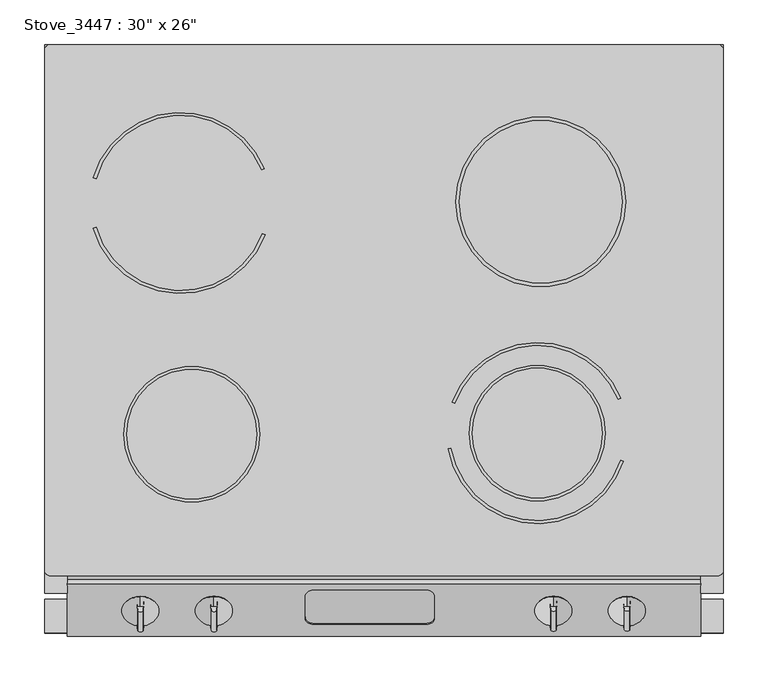
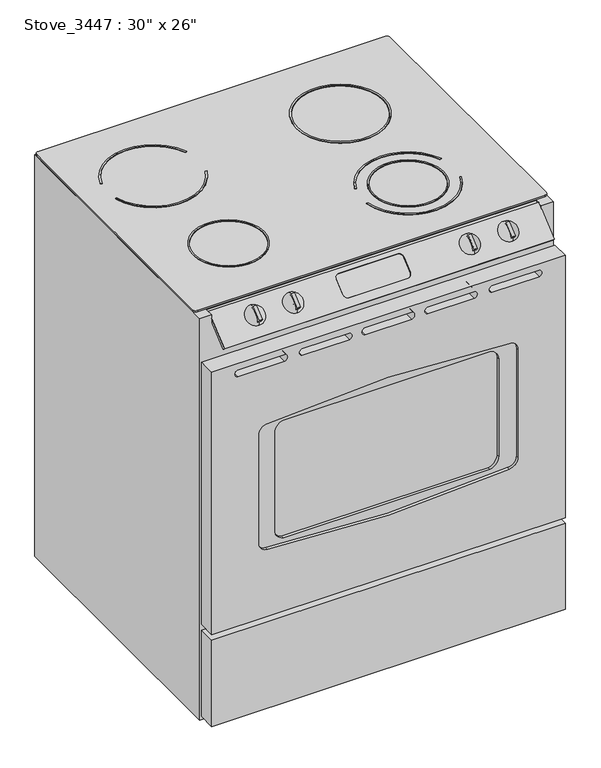
"""IFC4 building model written with IfcOpenShell, lengths in millimetres: proxy geometry."""

from ifc_helpers import new_model, si_unit, point, frame, frame_2d, origin, place, context, project, spatial, polyline, circle_curve, ellipse_curve, trimmed, segment, composite_curve, outline, extrude, source, transform, mapped, element, save
from ifc_brep_helpers import plane_surface, revolved_surface, advanced_brep


def proxy_ee5cc10b(model_context):
    return source(origin(), model_context, "Body", "SolidModel", [
        advanced_brep(
        [(762.0, 660.4, 914.4), (762.0, 660.4, 0.0), (0.0, 660.4, 0.0), (0.0, 660.4, 914.4), (711.2, 660.4, 762.0), (50.8, 660.4, 762.0), (50.8, 660.4, 304.8), (711.2, 660.4, 304.8), (0.0, 44.45, 914.4), (0.0, 44.45, 0.0), (762.0, 44.45, 0.0), (762.0, 44.45, 914.4), (736.6, 44.45, 914.4), (736.6, 44.45, 897.8213274), (437.6534017, 44.45, 897.8213274), (437.6534017, 44.45, 849.6388598), (428.6731456, 44.45, 835.3690916), (301.6731456, 44.45, 835.3690916), (292.6928894, 44.45, 849.6388598), (292.6928894, 44.45, 897.8213274), (25.4, 44.45, 897.8213274), (25.4, 44.45, 914.4), (711.2, 44.45, 762.0), (711.2, 44.45, 304.8), (50.8, 44.45, 304.8), (50.8, 44.45, 762.0), (25.4, 64.2076926, 914.4), (736.6, 64.2076926, 914.4), (292.6928894, 45.5439177, 898.7392334), (301.6731456, 52.4242409, 904.51251), (428.6731456, 52.4242409, 904.51251), (437.6534017, 45.5439177, 898.7392334), (428.6731456, 100.1829153, 845.5354588), (301.6731456, 100.1829153, 845.5354588), (292.6928894, 93.2039455, 839.8840005), (292.6928894, 68.5295612, 819.9030781), (301.6731456, 61.5505915, 814.2516198), (428.6731456, 61.5505915, 814.2516198), (437.6534017, 68.5295612, 819.9030781), (437.6534017, 93.2039455, 839.8840005)],
        [
            (0, 1),
            (1, 2),
            (2, 3),
            (3, 0),
            (4, 5),
            (5, 6),
            (6, 7),
            (7, 4),
            (8, 9),
            (9, 10),
            (10, 11),
            (11, 12),
            (12, 13),
            (13, 14),
            (14, 15),
            (15, 16, ellipse_curve(frame((428.6731456, 44.45, 849.6388598), z_axis=(0.0, 1.0, 0.0), x_axis=(0.0, 0.0, 1.0)), 14.2697682, 8.9802561)),
            (16, 17),
            (17, 18, ellipse_curve(frame((301.6731456, 44.45, 849.6388598), z_axis=(0.0, 1.0, 0.0), x_axis=(0.0, 0.0, 1.0)), 14.2697682, 8.9802561)),
            (18, 19),
            (19, 20),
            (20, 21),
            (21, 8),
            (22, 23),
            (23, 24),
            (24, 25),
            (25, 22),
            (0, 11),
            (10, 1),
            (9, 2),
            (8, 3),
            (21, 26),
            (26, 27),
            (27, 12),
            (4, 22),
            (25, 5),
            (24, 6),
            (23, 7),
            (27, 13),
            (20, 26),
            (19, 28),
            (28, 29, ellipse_curve(frame((301.6731456, 45.5439177, 898.7392334), z_axis=(0.0, 0.6427876096865406, -0.766044443118977), x_axis=(0.0, 0.7660444431189746, 0.6427876096865432)), 8.9816241, 8.9802561)),
            (29, 30),
            (30, 31, ellipse_curve(frame((428.6731456, 45.5439177, 898.7392334), z_axis=(0.0, 0.6427876096865406, -0.766044443118977), x_axis=(0.0, 0.7660444431189746, 0.6427876096865432)), 8.9816241, 8.9802561)),
            (31, 14),
            (32, 33),
            (33, 34, circle_curve(frame((301.6731456, 93.2039455, 839.8840005), z_axis=(0.0, -0.6293203910498419, 0.7771459614569672), x_axis=(1.0, 0.0, 0.0)), 8.9802561)),
            (34, 35),
            (35, 36, circle_curve(frame((301.6731456, 68.5295612, 819.9030781), z_axis=(0.0, -0.6293203910498419, 0.7771459614569672), x_axis=(1.0, 0.0, 0.0)), 8.9802561)),
            (36, 37),
            (37, 38, circle_curve(frame((428.6731456, 68.5295612, 819.9030781), z_axis=(0.0, -0.6293203910498419, 0.7771459614569672), x_axis=(1.0, 0.0, 0.0)), 8.9802561)),
            (38, 39),
            (39, 32, circle_curve(frame((428.6731456, 93.2039455, 839.8840005), z_axis=(0.0, -0.6293203910498419, 0.7771459614569672), x_axis=(1.0, 0.0, 0.0)), 8.9802561)),
            (32, 30),
            (29, 33),
            (28, 34),
            (18, 35),
            (17, 36),
            (16, 37),
            (15, 38),
            (31, 39),
        ],
        [
            plane_surface(frame((762.0, 660.4, 914.4), z_axis=(0.0, 1.0, 0.0), x_axis=(0.0, 0.0, -1.0))),
            plane_surface(frame((762.0, 44.45, 914.4), z_axis=(0.0, -1.0, 0.0), x_axis=(0.0, 0.0, 1.0))),
            plane_surface(frame((762.0, 660.4, 914.4), z_axis=(1.0, 0.0, 0.0), x_axis=(0.0, -1.0, 0.0))),
            plane_surface(frame((762.0, 660.4, 0.0), z_axis=(0.0, 0.0, -1.0), x_axis=(0.0, -1.0, 0.0))),
            plane_surface(frame((0.0, 660.4, 0.0), z_axis=(-1.0, 0.0, 0.0), x_axis=(0.0, -1.0, 0.0))),
            plane_surface(frame((0.0, 660.4, 914.4), z_axis=(0.0, 0.0, 1.0), x_axis=(0.0, -1.0, 0.0))),
            plane_surface(frame((711.2, 660.4, 762.0), z_axis=(0.0, 0.0, -1.0), x_axis=(0.0, -1.0, 0.0))),
            plane_surface(frame((50.8, 660.4, 762.0), z_axis=(1.0, 0.0, 0.0), x_axis=(0.0, -1.0, 0.0))),
            plane_surface(frame((50.8, 660.4, 304.8), z_axis=(0.0, 0.0, 1.0), x_axis=(0.0, -1.0, 0.0))),
            plane_surface(frame((711.2, 660.4, 304.8), z_axis=(-1.0, 0.0, 0.0), x_axis=(0.0, -1.0, 0.0))),
            plane_surface(frame((736.6, -11.1564341, 914.4), z_axis=(-1.0, 0.0, 0.0), x_axis=(0.0, 0.0, 1.0))),
            plane_surface(frame((25.4, -11.1564341, 914.4), z_axis=(1.0, 0.0, 0.0), x_axis=(0.0, 0.0, 1.0))),
            plane_surface(frame((736.6, -4.335527, 856.8854097), z_axis=(0.0, -0.6427876096865406, 0.766044443118977), x_axis=(-1.0, 0.0, 0.0))),
            plane_surface(frame((301.6731456, 100.1829153, 845.5354588), z_axis=(0.0, -0.6293203910498419, 0.7771459614569672), x_axis=(1.0, 0.0, 0.0))),
            plane_surface(frame((428.6731456, -4.4895612, 974.7952024), z_axis=(0.0, -0.7771459614569672, -0.629320391049842), x_axis=(0.0, 0.629320391049842, -0.7771459614569672))),
            revolved_surface(polyline([(310.6534017, 45.44527108444479, 898.8610517356517), (310.6534017, 93.2039455059619, 839.8840004926376)]), (301.6731456, 93.2039455, 839.8840005), (0.0, -0.6293203910498419, 0.7771459614569672)),
            plane_surface(frame((292.6928894, -11.468531, 969.1437441), z_axis=(1.0, 0.0, 0.0), x_axis=(0.0, 0.6293203910498419, -0.7771459614569673))),
            revolved_surface(polyline([(310.6534017, 37.47103021479231, 858.2571696997884), (310.6534017, 68.52956123364253, 819.903078058455)]), (301.6731456, 68.5295612, 819.9030781), (0.0, -0.6293203910498419, 0.7771459614569672)),
            plane_surface(frame((301.6731456, -43.121885, 943.5113634), z_axis=(0.0, 0.7771459614569673, 0.6293203910498419), x_axis=(0.0, 0.6293203910498419, -0.7771459614569673))),
            revolved_surface(polyline([(437.6534017, 37.47103021479231, 858.2571696997884), (437.6534017, 68.52956123364253, 819.903078058455)]), (428.6731456, 68.5295612, 819.9030781), (0.0, -0.6293203910498419, 0.7771459614569672)),
            plane_surface(frame((437.6534017, -36.1429153, 949.1628217), z_axis=(-1.0, 0.0, 0.0), x_axis=(0.0, 0.6293203910498419, -0.7771459614569673))),
            revolved_surface(polyline([(437.6534017, 45.44527108444479, 898.8610517356517), (437.6534017, 93.2039455059619, 839.8840004926376)]), (428.6731456, 93.2039455, 839.8840005), (0.0, -0.6293203910498419, 0.7771459614569672)),
        ],
        [
            (0, [[1, 2, 3, 4], [5, 6, 7, 8]]),
            (1, [[9, 10, 11, 12, 13, 14, 15, 16, 17, 18, 19, 20, 21, 22], [23, 24, 25, 26]]),
            (2, [[-1, 27, -11, 28]]),
            (3, [[-2, -28, -10, 29]]),
            (4, [[-3, -29, -9, 30]]),
            (5, [[-4, -30, -22, 31, 32, 33, -12, -27]]),
            (6, [[-5, 34, -26, 35]]),
            (7, [[-6, -35, -25, 36]]),
            (8, [[-7, -36, -24, 37]]),
            (9, [[-8, -37, -23, -34]]),
            (10, [[38, -13, -33]]),
            (11, [[39, -31, -21]]),
            (12, [[-38, -32, -39, -20, 40, 41, 42, 43, 44, -14]]),
            (13, [[45, 46, 47, 48, 49, 50, 51, 52]]),
            (14, [[-45, 53, -42, 54]]),
            (15, [[-46, -54, -41, 55]]),
            (16, [[-47, -55, -40, -19, 56]]),
            (17, [[-48, -56, -18, 57]]),
            (18, [[-49, -57, -17, 58]]),
            (19, [[-50, -58, -16, 59]]),
            (20, [[-51, -59, -15, -44, 60]]),
            (21, [[-52, -60, -43, -53]]),
        ],
    ),
        extrude(outline(composite_curve([segment(trimmed(circle_curve(frame_2d((-1769.2488555, 381.0)), 2430.8579968), [point((651.4207522, 603.3269004))], [point((651.4207522, 158.6730996))], False, "CARTESIAN"), True, "CONTINUOUS"), segment(trimmed(circle_curve(frame_2d((628.65, 162.850821)), 23.150821), [point((651.4207522, 158.6730996))], [point((628.65, 139.7))], False, "CARTESIAN"), True, "CONTINUOUS"), segment(polyline([(628.65, 139.7), (406.4, 139.7)]), True, "CONTINUOUS"), segment(trimmed(circle_curve(frame_2d((406.4, 162.850821)), 23.150821), [point((406.4, 139.7))], [point((383.6292478, 158.6730996))], False, "CARTESIAN"), True, "CONTINUOUS"), segment(trimmed(circle_curve(frame_2d((2804.2988555, 381.0)), 2430.8579968), [point((383.6292478, 158.6730996))], [point((383.6292478, 603.3269004))], False, "CARTESIAN"), True, "CONTINUOUS"), segment(trimmed(circle_curve(frame_2d((406.4, 599.149179)), 23.150821), [point((383.6292478, 603.3269004))], [point((406.4, 622.3))], False, "CARTESIAN"), True, "CONTINUOUS"), segment(polyline([(406.4, 622.3), (628.65, 622.3)]), True, "CONTINUOUS"), segment(trimmed(circle_curve(frame_2d((628.65, 599.149179)), 23.150821), [point((628.65, 622.3))], [point((651.4207522, 603.3269004))], False, "CARTESIAN"), True, "CONTINUOUS")], self_intersect=False)), frame((0.0, 12.7, 0.0), z_axis=(0.0, 1.0, 0.0), x_axis=(0.0, 0.0, 1.0)), (0.0, 0.0, 1.0), 6.35),
        extrude(outline(composite_curve([segment(trimmed(circle_curve(frame_2d((641.35, 120.65)), 19.05), [point((660.4, 120.65))], [point((641.35, 101.6))], False, "CARTESIAN"), True, "CONTINUOUS"), segment(polyline([(641.35, 101.6), (393.7, 101.6)]), True, "CONTINUOUS"), segment(trimmed(circle_curve(frame_2d((393.7, 120.65)), 19.05), [point((393.7, 101.6))], [point((374.65, 120.65))], False, "CARTESIAN"), True, "CONTINUOUS"), segment(trimmed(circle_curve(frame_2d((2804.2988555, 381.0)), 2443.5579968), [point((374.65, 120.65))], [point((374.65, 641.35))], False, "CARTESIAN"), True, "CONTINUOUS"), segment(trimmed(circle_curve(frame_2d((393.7, 641.35)), 19.05), [point((374.65, 641.35))], [point((393.7, 660.4))], False, "CARTESIAN"), True, "CONTINUOUS"), segment(polyline([(393.7, 660.4), (641.35, 660.4)]), True, "CONTINUOUS"), segment(trimmed(circle_curve(frame_2d((641.35, 641.35)), 19.05), [point((641.35, 660.4))], [point((660.4, 641.35))], False, "CARTESIAN"), True, "CONTINUOUS"), segment(trimmed(circle_curve(frame_2d((-1769.2488555, 381.0)), 2443.5579968), [point((660.4, 641.35))], [point((660.4, 120.65))], False, "CARTESIAN"), True, "CONTINUOUS")], self_intersect=False), holes=[composite_curve([segment(trimmed(circle_curve(frame_2d((-1769.2488555, 381.0)), 2430.8579968), [point((651.4207522, 158.6730996))], [point((651.4207522, 603.3269004))], True, "CARTESIAN"), True, "CONTINUOUS"), segment(trimmed(circle_curve(frame_2d((628.65, 599.149179)), 23.150821), [point((651.4207522, 603.3269004))], [point((628.65, 622.3))], True, "CARTESIAN"), True, "CONTINUOUS"), segment(polyline([(628.65, 622.3), (406.4, 622.3)]), True, "CONTINUOUS"), segment(trimmed(circle_curve(frame_2d((406.4, 599.149179)), 23.150821), [point((406.4, 622.3))], [point((383.6292478, 603.3269004))], True, "CARTESIAN"), True, "CONTINUOUS"), segment(trimmed(circle_curve(frame_2d((2804.2988555, 381.0)), 2430.8579968), [point((383.6292478, 603.3269004))], [point((383.6292478, 158.6730996))], True, "CARTESIAN"), True, "CONTINUOUS"), segment(trimmed(circle_curve(frame_2d((406.4, 162.850821)), 23.150821), [point((383.6292478, 158.6730996))], [point((406.4, 139.7))], True, "CARTESIAN"), True, "CONTINUOUS"), segment(polyline([(406.4, 139.7), (628.65, 139.7)]), True, "CONTINUOUS"), segment(trimmed(circle_curve(frame_2d((628.65, 162.850821)), 23.150821), [point((628.65, 139.7))], [point((651.4207522, 158.6730996))], True, "CARTESIAN"), True, "CONTINUOUS")], self_intersect=False)]), frame((0.0, 6.35, 0.0), z_axis=(0.0, 1.0, 0.0), x_axis=(0.0, 0.0, 1.0)), (0.0, 0.0, 1.0), 19.05),
        extrude(outline(composite_curve([segment(polyline([(54.796433, 454.3846901), (57.8465445, 455.2664186)]), True, "CONTINUOUS"), segment(trimmed(circle_curve(frame_2d((152.4, 482.6)), 98.425), [point((57.8465445, 455.2664186))], [point((244.4673467, 447.7993636))], True, "CARTESIAN"), True, "CONTINUOUS"), segment(polyline([(244.4673467, 447.7993636), (247.4372611, 446.6767624)]), True, "CONTINUOUS"), segment(trimmed(circle_curve(frame_2d((152.4, 482.6)), 101.6), [point((247.4372611, 446.6767624))], [point((54.796433, 454.3846901))], False, "CARTESIAN"), True, "CONTINUOUS")], self_intersect=False)), frame((0.0, 0.0, 914.4), z_axis=(0.0, 0.0, 1.0), x_axis=(1.0, 0.0, 0.0)), (0.0, 0.0, 1.0), 6.35),
        extrude(outline(composite_curve([segment(polyline([(246.5191915, 520.8640536), (243.5779667, 519.6683019)]), True, "CONTINUOUS"), segment(trimmed(circle_curve(frame_2d((152.4, 482.6)), 98.425), [point((243.5779667, 519.6683019))], [point((57.8797767, 510.0482789))], True, "CARTESIAN"), True, "CONTINUOUS"), segment(polyline([(57.8797767, 510.0482789), (54.8307372, 510.9337072)]), True, "CONTINUOUS"), segment(trimmed(circle_curve(frame_2d((152.4, 482.6)), 101.6), [point((54.8307372, 510.9337072))], [point((246.5191915, 520.8640536))], False, "CARTESIAN"), True, "CONTINUOUS")], self_intersect=False)), frame((0.0, 0.0, 914.4), z_axis=(0.0, 0.0, 1.0), x_axis=(1.0, 0.0, 0.0)), (0.0, 0.0, 1.0), 6.35),
        extrude(outline(composite_curve([segment(trimmed(circle_curve(frame_2d((556.8818139, 483.8842433)), 95.25), [point((461.6318139, 483.8842433))], [point((652.1318139, 483.8842433))], False, "CARTESIAN"), True, "CONTINUOUS"), segment(trimmed(circle_curve(frame_2d((556.8818139, 483.8842433)), 95.25), [point((652.1318139, 483.8842433))], [point((461.6318139, 483.8842433))], False, "CARTESIAN"), True, "CONTINUOUS")], self_intersect=False), holes=[composite_curve([segment(trimmed(circle_curve(frame_2d((556.8818139, 483.8842433)), 91.28125), [point((648.1630639, 483.8842433))], [point((465.6005639, 483.8842433))], True, "CARTESIAN"), True, "CONTINUOUS"), segment(trimmed(circle_curve(frame_2d((556.8818139, 483.8842433)), 91.28125), [point((465.6005639, 483.8842433))], [point((648.1630639, 483.8842433))], True, "CARTESIAN"), True, "CONTINUOUS")], self_intersect=False)]), frame((0.0, 0.0, 914.4), z_axis=(0.0, 0.0, 1.0), x_axis=(1.0, 0.0, 0.0)), (0.0, 0.0, 1.0), 6.35),
        extrude(outline(composite_curve([segment(trimmed(circle_curve(frame_2d((553.0932963, 224.3176229)), 76.2), [point((476.8932963, 224.3176229))], [point((629.2932963, 224.3176229))], False, "CARTESIAN"), True, "CONTINUOUS"), segment(trimmed(circle_curve(frame_2d((553.0932963, 224.3176229)), 76.2), [point((629.2932963, 224.3176229))], [point((476.8932963, 224.3176229))], False, "CARTESIAN"), True, "CONTINUOUS")], self_intersect=False), holes=[composite_curve([segment(trimmed(circle_curve(frame_2d((553.0932963, 224.3176229)), 73.025), [point((626.1182963, 224.3176229))], [point((480.0682963, 224.3176229))], True, "CARTESIAN"), True, "CONTINUOUS"), segment(trimmed(circle_curve(frame_2d((553.0932963, 224.3176229)), 73.025), [point((480.0682963, 224.3176229))], [point((626.1182963, 224.3176229))], True, "CARTESIAN"), True, "CONTINUOUS")], self_intersect=False)]), frame((0.0, 0.0, 914.4), z_axis=(0.0, 0.0, 1.0), x_axis=(1.0, 0.0, 0.0)), (0.0, 0.0, 1.0), 6.35),
        extrude(outline(composite_curve([segment(trimmed(circle_curve(frame_2d((165.2424327, 223.0333797)), 76.2), [point((89.0424327, 223.0333797))], [point((241.4424327, 223.0333797))], False, "CARTESIAN"), True, "CONTINUOUS"), segment(trimmed(circle_curve(frame_2d((165.2424327, 223.0333797)), 76.2), [point((241.4424327, 223.0333797))], [point((89.0424327, 223.0333797))], False, "CARTESIAN"), True, "CONTINUOUS")], self_intersect=False), holes=[composite_curve([segment(trimmed(circle_curve(frame_2d((165.2424327, 223.0333797)), 73.025), [point((238.2674327, 223.0333797))], [point((92.2174327, 223.0333797))], True, "CARTESIAN"), True, "CONTINUOUS"), segment(trimmed(circle_curve(frame_2d((165.2424327, 223.0333797)), 73.025), [point((92.2174327, 223.0333797))], [point((238.2674327, 223.0333797))], True, "CARTESIAN"), True, "CONTINUOUS")], self_intersect=False)]), frame((0.0, 0.0, 914.4), z_axis=(0.0, 0.0, 1.0), x_axis=(1.0, 0.0, 0.0)), (0.0, 0.0, 1.0), 6.35),
        extrude(outline(composite_curve([segment(trimmed(circle_curve(frame_2d((553.0932963, 224.3176229)), 101.6), [point((457.6401, 259.1206015))], [point((646.8578254, 263.4427181))], False, "CARTESIAN"), True, "CONTINUOUS"), segment(polyline([(646.8578254, 263.4427181), (643.9276839, 262.2200589)]), True, "CONTINUOUS"), segment(trimmed(circle_curve(frame_2d((553.0932963, 224.3176229)), 98.425), [point((643.9276839, 262.2200589))], [point((460.6230124, 258.0330084))], True, "CARTESIAN"), True, "CONTINUOUS"), segment(polyline([(460.6230124, 258.0330084), (457.6401, 259.1206015)]), True, "CONTINUOUS")], self_intersect=False)), frame((0.0, 0.0, 914.4), z_axis=(0.0, 0.0, 1.0), x_axis=(1.0, 0.0, 0.0)), (0.0, 0.0, 1.0), 6.35),
        extrude(outline(composite_curve([segment(trimmed(circle_curve(frame_2d((553.0932963, 224.3176229)), 101.6), [point((649.6971559, 192.8493166))], [point((453.0372179, 206.6727604))], False, "CARTESIAN"), True, "CONTINUOUS"), segment(polyline([(453.0372179, 206.6727604), (456.1639703, 207.2241623)]), True, "CONTINUOUS"), segment(trimmed(circle_curve(frame_2d((553.0932963, 224.3176229)), 98.425), [point((456.1639703, 207.2241623))], [point((646.6782853, 193.8327011))], True, "CARTESIAN"), True, "CONTINUOUS"), segment(polyline([(646.6782853, 193.8327011), (649.6971559, 192.8493166)]), True, "CONTINUOUS")], self_intersect=False)), frame((0.0, 0.0, 914.4), z_axis=(0.0, 0.0, 1.0), x_axis=(1.0, 0.0, 0.0)), (0.0, 0.0, 1.0), 6.35),
        extrude(outline(polyline([(819.15, 762.0), (819.15, 0.0), (221.9985348, 0.0), (221.9985348, 762.0), (819.15, 762.0)]), holes=[composite_curve([segment(trimmed(circle_curve(frame_2d((393.7, 641.35)), 19.05), [point((393.7, 660.4))], [point((374.65, 641.35))], True, "CARTESIAN"), True, "CONTINUOUS"), segment(trimmed(circle_curve(frame_2d((2804.2988555, 381.0)), 2443.5579968), [point((374.65, 641.35))], [point((374.65, 120.65))], True, "CARTESIAN"), True, "CONTINUOUS"), segment(trimmed(circle_curve(frame_2d((393.7, 120.65)), 19.05), [point((374.65, 120.65))], [point((393.7, 101.6))], True, "CARTESIAN"), True, "CONTINUOUS"), segment(polyline([(393.7, 101.6), (641.35, 101.6)]), True, "CONTINUOUS"), segment(trimmed(circle_curve(frame_2d((641.35, 120.65)), 19.05), [point((641.35, 101.6))], [point((660.4, 120.65))], True, "CARTESIAN"), True, "CONTINUOUS"), segment(trimmed(circle_curve(frame_2d((-1769.2488555, 381.0)), 2443.5579968), [point((660.4, 120.65))], [point((660.4, 641.35))], True, "CARTESIAN"), True, "CONTINUOUS"), segment(trimmed(circle_curve(frame_2d((641.35, 641.35)), 19.05), [point((660.4, 641.35))], [point((641.35, 660.4))], True, "CARTESIAN"), True, "CONTINUOUS"), segment(polyline([(641.35, 660.4), (393.7, 660.4)]), True, "CONTINUOUS")], self_intersect=False), composite_curve([segment(trimmed(circle_curve(frame_2d((797.3130432, 57.9870297)), 7.8933851), [point((789.7147651, 55.8488766))], [point((804.9113213, 55.8488766))], True, "CARTESIAN"), True, "CONTINUOUS"), segment(polyline([(804.9113213, 55.8488766), (804.9113213, 157.4488766)]), True, "CONTINUOUS"), segment(trimmed(circle_curve(frame_2d((797.3130432, 155.3107234)), 7.8933851), [point((804.9113213, 157.4488766))], [point((789.7147651, 157.4488766))], True, "CARTESIAN"), True, "CONTINUOUS"), segment(polyline([(789.7147651, 157.4488766), (789.7147651, 55.8488766)]), True, "CONTINUOUS")], self_intersect=False), composite_curve([segment(polyline([(789.7147651, 706.1511234), (789.7147651, 604.5511234)]), True, "CONTINUOUS"), segment(trimmed(circle_curve(frame_2d((797.3130432, 606.6892766)), 7.8933851), [point((789.7147651, 604.5511234))], [point((804.9113213, 604.5511234))], True, "CARTESIAN"), True, "CONTINUOUS"), segment(polyline([(804.9113213, 604.5511234), (804.9113213, 706.1511234)]), True, "CONTINUOUS"), segment(trimmed(circle_curve(frame_2d((797.3130432, 704.0129703)), 7.8933851), [point((804.9113213, 706.1511234))], [point((789.7147651, 706.1511234))], True, "CARTESIAN"), True, "CONTINUOUS")], self_intersect=False), composite_curve([segment(trimmed(circle_curve(frame_2d((797.3130432, 332.3381531)), 7.8933851), [point((789.7147651, 330.2))], [point((804.9113213, 330.2))], True, "CARTESIAN"), True, "CONTINUOUS"), segment(polyline([(804.9113213, 330.2), (804.9113213, 431.8)]), True, "CONTINUOUS"), segment(trimmed(circle_curve(frame_2d((797.3130432, 429.6618469)), 7.8933851), [point((804.9113213, 431.8))], [point((789.7147651, 431.8))], True, "CARTESIAN"), True, "CONTINUOUS"), segment(polyline([(789.7147651, 431.8), (789.7147651, 330.2)]), True, "CONTINUOUS")], self_intersect=False), composite_curve([segment(trimmed(circle_curve(frame_2d((797.3130432, 467.3755617)), 7.8933851), [point((789.7147651, 465.2374086))], [point((804.9113213, 465.2374086))], True, "CARTESIAN"), True, "CONTINUOUS"), segment(polyline([(804.9113213, 465.2374086), (804.9113213, 566.8374086)]), True, "CONTINUOUS"), segment(trimmed(circle_curve(frame_2d((797.3130432, 564.6992555)), 7.8933851), [point((804.9113213, 566.8374086))], [point((789.7147651, 566.8374086))], True, "CARTESIAN"), True, "CONTINUOUS"), segment(polyline([(789.7147651, 566.8374086), (789.7147651, 465.2374086)]), True, "CONTINUOUS")], self_intersect=False), composite_curve([segment(polyline([(789.7147651, 296.7625914), (789.7147651, 195.1625914)]), True, "CONTINUOUS"), segment(trimmed(circle_curve(frame_2d((797.3130432, 197.3007445)), 7.8933851), [point((789.7147651, 195.1625914))], [point((804.9113213, 195.1625914))], True, "CARTESIAN"), True, "CONTINUOUS"), segment(polyline([(804.9113213, 195.1625914), (804.9113213, 296.7625914)]), True, "CONTINUOUS"), segment(trimmed(circle_curve(frame_2d((797.3130432, 294.6244383)), 7.8933851), [point((804.9113213, 296.7625914))], [point((789.7147651, 296.7625914))], True, "CARTESIAN"), True, "CONTINUOUS")], self_intersect=False)]), frame((0.0, 0.0, 0.0), z_axis=(0.0, 1.0, 0.0), x_axis=(0.0, 0.0, 1.0)), (0.0, 0.0, 1.0), 38.1),
        extrude(outline(polyline([(762.0, 0.0), (0.0, 0.0), (0.0, 38.1), (762.0, 38.1), (762.0, 0.0)])), frame((0.0, 0.0, 12.7), z_axis=(0.0, 0.0, 1.0), x_axis=(1.0, 0.0, 0.0)), (0.0, 0.0, 1.0), 196.5741959),
        extrude(outline(composite_curve([segment(trimmed(circle_curve(frame_2d((755.65, 654.05)), 6.35), [point((755.65, 660.4))], [point((762.0, 654.05))], False, "CARTESIAN"), True, "CONTINUOUS"), segment(polyline([(762.0, 654.05), (762.0, 70.5576926)]), True, "CONTINUOUS"), segment(trimmed(circle_curve(frame_2d((755.65, 70.5576926)), 6.35), [point((762.0, 70.5576926))], [point((755.65, 64.2076926))], False, "CARTESIAN"), True, "CONTINUOUS"), segment(polyline([(755.65, 64.2076926), (6.35, 64.2076926)]), True, "CONTINUOUS"), segment(trimmed(circle_curve(frame_2d((6.35, 70.5576926)), 6.35), [point((6.35, 64.2076926))], [point((0.0, 70.5576926))], False, "CARTESIAN"), True, "CONTINUOUS"), segment(polyline([(0.0, 70.5576926), (0.0, 654.05)]), True, "CONTINUOUS"), segment(trimmed(circle_curve(frame_2d((6.35, 654.05)), 6.35), [point((0.0, 654.05))], [point((6.35, 660.4))], False, "CARTESIAN"), True, "CONTINUOUS"), segment(polyline([(6.35, 660.4), (755.65, 660.4)]), True, "CONTINUOUS")], self_intersect=False)), frame((0.0, 0.0, 916.1445188), z_axis=(0.0, 0.0, 1.0), x_axis=(1.0, 0.0, 0.0)), (0.0, 0.0, 1.0), 3.3854222),
        extrude(outline(polyline([(49.1527519, 908.5525796), (52.4242974, 904.5125574), (14.337922, 872.5542939), (11.0663766, 876.5943161), (49.1527519, 908.5525796)])), frame((292.6928894, 0.0, 0.0), z_axis=(1.0, 0.0, 0.0), x_axis=(0.0, 1.0, 0.0)), (0.0, 0.0, 1.0), 144.9605122),
        advanced_brep(
        [(25.4, 1.5050014, 861.786195), (25.4, -3.7463531, 867.0375495), (25.4, 54.8492073, 916.2050626), (25.4, 60.1005618, 910.9537081), (736.6, 1.5050014, 861.786195), (736.6, 60.1005618, 910.9537081), (736.6, 54.8492073, 916.2050626), (736.6, -3.7463531, 867.0375495), (301.6731456, 47.7676453, 910.2629266), (428.6731456, 47.7676453, 910.2629266), (437.6534017, 40.8873221, 904.48965), (437.6534017, 16.5617062, 884.0780346), (428.6731456, 9.681383, 878.3047579), (301.6731456, 9.681383, 878.3047579), (292.6928894, 16.5617062, 884.0780346), (292.6928894, 40.8873221, 904.48965), (428.6731456, 52.4242409, 904.51251), (301.6731456, 52.4242409, 904.51251), (292.6928894, 45.5439177, 898.7392334), (292.6928894, 21.2183017, 878.327618), (301.6731456, 14.3379785, 872.5543413), (428.6731456, 14.3379785, 872.5543413), (437.6534017, 21.2183017, 878.327618), (437.6534017, 45.5439177, 898.7392334)],
        [
            (0, 1),
            (1, 2),
            (2, 3),
            (3, 0),
            (4, 5),
            (5, 6),
            (6, 7),
            (7, 4),
            (0, 4),
            (7, 1),
            (6, 2),
            (8, 9),
            (9, 10, ellipse_curve(frame((428.6731456, 40.8873221, 904.48965), z_axis=(0.0, 0.6427876096865419, -0.7660444431189759), x_axis=(0.0, 0.7660444431189749, 0.6427876096865431)), 8.9816241, 8.9802561)),
            (10, 11),
            (11, 12, ellipse_curve(frame((428.6731456, 16.5617062, 884.0780346), z_axis=(0.0, 0.6427876096865419, -0.7660444431189759), x_axis=(0.0, 0.7660444431189749, 0.6427876096865431)), 8.9816241, 8.9802561)),
            (12, 13),
            (13, 14, ellipse_curve(frame((301.6731456, 16.5617062, 884.0780346), z_axis=(0.0, 0.6427876096865419, -0.7660444431189759), x_axis=(0.0, 0.7660444431189749, 0.6427876096865431)), 8.9816241, 8.9802561)),
            (14, 15),
            (15, 8, ellipse_curve(frame((301.6731456, 40.8873221, 904.48965), z_axis=(0.0, 0.6427876096865419, -0.7660444431189759), x_axis=(0.0, 0.7660444431189749, 0.6427876096865431)), 8.9816241, 8.9802561)),
            (5, 3),
            (16, 17),
            (17, 18, ellipse_curve(frame((301.6731456, 45.5439177, 898.7392334), z_axis=(0.0, -0.6427876096865419, 0.7660444431189759), x_axis=(0.0, 0.7660444431189749, 0.6427876096865431)), 8.9816241, 8.9802561)),
            (18, 19),
            (19, 20, ellipse_curve(frame((301.6731456, 21.2183017, 878.327618), z_axis=(0.0, -0.6427876096865419, 0.7660444431189759), x_axis=(0.0, 0.7660444431189749, 0.6427876096865431)), 8.9816241, 8.9802561)),
            (20, 21),
            (21, 22, ellipse_curve(frame((428.6731456, 21.2183017, 878.327618), z_axis=(0.0, -0.6427876096865419, 0.7660444431189759), x_axis=(0.0, 0.7660444431189749, 0.6427876096865431)), 8.9816241, 8.9802561)),
            (22, 23),
            (23, 16, ellipse_curve(frame((428.6731456, 45.5439177, 898.7392334), z_axis=(0.0, -0.6427876096865419, 0.7660444431189759), x_axis=(0.0, 0.7660444431189749, 0.6427876096865431)), 8.9816241, 8.9802561)),
            (16, 9),
            (8, 17),
            (15, 18),
            (14, 19),
            (13, 20),
            (12, 21),
            (11, 22),
            (10, 23),
        ],
        [
            plane_surface(frame((25.4, 64.2076926, 914.4), z_axis=(-1.0, 0.0, 0.0), x_axis=(0.0, 0.0, 1.0))),
            plane_surface(frame((736.6, 64.2076926, 914.4), z_axis=(1.0, 0.0, 0.0), x_axis=(0.0, 0.0, 1.0))),
            plane_surface(frame((25.4, 1.5050014, 861.786195), z_axis=(0.0, -0.7071067811865471, -0.7071067811865479), x_axis=(1.0, 0.0, 0.0))),
            plane_surface(frame((25.4, -3.7463531, 867.0375495), z_axis=(0.0, -0.6427876096865419, 0.7660444431189759), x_axis=(1.0, 0.0, 0.0))),
            plane_surface(frame((25.4, 54.8492073, 916.2050626), z_axis=(0.0, 0.707106781186547, 0.7071067811865481), x_axis=(1.0, 0.0, 0.0))),
            plane_surface(frame((25.4, 60.1005618, 910.9537081), z_axis=(0.0, 0.6427876096865419, -0.7660444431189759), x_axis=(1.0, 0.0, 0.0))),
            plane_surface(frame((428.6731456, -4.4895612, 974.7952024), z_axis=(0.0, -0.7771459614569672, -0.629320391049842), x_axis=(0.0, 0.629320391049842, -0.7771459614569672))),
            revolved_surface(polyline([(310.6534017, 40.788675516515106, 904.6114683616217), (310.6534017, 45.64256422810958, 898.6174149935362)]), (301.6731456, 93.2039455, 839.8840005), (0.0, -0.6293203910498419, 0.7771459614569672)),
            plane_surface(frame((292.6928894, -11.468531, 969.1437441), z_axis=(1.0, 0.0, 0.0), x_axis=(0.0, 0.6293203910498419, -0.7771459614569673))),
            revolved_surface(polyline([(310.6534017, 16.463059564942633, 884.1998529198593), (310.6534017, 21.316948256281286, 878.2057995767875)]), (301.6731456, 68.5295612, 819.9030781), (0.0, -0.6293203910498419, 0.7771459614569672)),
            plane_surface(frame((301.6731456, -43.121885, 943.5113634), z_axis=(0.0, 0.7771459614569673, 0.6293203910498419), x_axis=(0.0, 0.6293203910498419, -0.7771459614569673))),
            revolved_surface(polyline([(437.6534017, 16.463059564942633, 884.1998529198593), (437.6534017, 21.316948256281286, 878.2057995767875)]), (428.6731456, 68.5295612, 819.9030781), (0.0, -0.6293203910498419, 0.7771459614569672)),
            plane_surface(frame((437.6534017, -36.1429153, 949.1628217), z_axis=(-1.0, 0.0, 0.0), x_axis=(0.0, 0.6293203910498419, -0.7771459614569673))),
            revolved_surface(polyline([(437.6534017, 40.788675516515106, 904.6114683616217), (437.6534017, 45.64256422810958, 898.6174149935362)]), (428.6731456, 93.2039455, 839.8840005), (0.0, -0.6293203910498419, 0.7771459614569672)),
        ],
        [
            (0, [[1, 2, 3, 4]]),
            (1, [[5, 6, 7, 8]]),
            (2, [[-1, 9, -8, 10]]),
            (3, [[-2, -10, -7, 11], [12, 13, 14, 15, 16, 17, 18, 19]]),
            (4, [[-3, -11, -6, 20]]),
            (5, [[-4, -20, -5, -9], [21, 22, 23, 24, 25, 26, 27, 28]]),
            (6, [[29, -12, 30, -21]]),
            (7, [[-30, -19, 31, -22]]),
            (8, [[-31, -18, 32, -23]]),
            (9, [[-32, -17, 33, -24]]),
            (10, [[-33, -16, 34, -25]]),
            (11, [[-34, -15, 35, -26]]),
            (12, [[-35, -14, 36, -27]]),
            (13, [[-29, -28, -36, -13]]),
        ],
    ),
        extrude(outline(composite_curve([segment(trimmed(circle_curve(frame_2d((-12.8862582, 20.9412859)), 3.3904687), [point((-16.0612582, 22.1306777))], [point((-9.7112582, 22.1306777))], False, "CARTESIAN"), True, "CONTINUOUS"), segment(trimmed(circle_curve(frame_2d((-127.0994598, 2.0138987)), 119.0994319), [point((-9.7112582, 22.1306777))], [point((-9.7112582, -18.1028802))], False, "CARTESIAN"), True, "CONTINUOUS"), segment(trimmed(circle_curve(frame_2d((-12.8862582, -18.1028802)), 3.175), [point((-9.7112582, -18.1028802))], [point((-16.0612582, -18.1028802))], False, "CARTESIAN"), True, "CONTINUOUS"), segment(trimmed(circle_curve(frame_2d((170.8537682, 2.0138987)), 187.9944464), [point((-16.0612582, -18.1028802))], [point((-16.0612582, 22.1306777))], False, "CARTESIAN"), True, "CONTINUOUS")], self_intersect=False)), frame((640.9320297, 17.8022248, 880.6814177), z_axis=(0.0, 0.7660444431189759, 0.6427876096865419), x_axis=(-1.0, 0.0, 0.0)), (0.0, 0.0, 1.0), 29.4308193),
        extrude(outline(composite_curve([segment(trimmed(circle_curve(frame_2d((-12.8862582, 20.9412859)), 3.3904687), [point((-16.0612582, 22.1306777))], [point((-9.7112582, 22.1306777))], False, "CARTESIAN"), True, "CONTINUOUS"), segment(trimmed(circle_curve(frame_2d((-127.0994598, 2.0138987)), 119.0994319), [point((-9.7112582, 22.1306777))], [point((-9.7112582, -18.1028802))], False, "CARTESIAN"), True, "CONTINUOUS"), segment(trimmed(circle_curve(frame_2d((-12.8862582, -18.1028802)), 3.175), [point((-9.7112582, -18.1028802))], [point((-16.0612582, -18.1028802))], False, "CARTESIAN"), True, "CONTINUOUS"), segment(trimmed(circle_curve(frame_2d((170.8537681, 2.0138987)), 187.9944464), [point((-16.0612582, -18.1028802))], [point((-16.0612582, 22.1306777))], False, "CARTESIAN"), True, "CONTINUOUS")], self_intersect=False)), frame((558.3822322, 17.6669053, 880.8044312), z_axis=(0.0, 0.7660444431189759, 0.6427876096865419), x_axis=(-1.0, 0.0, 0.0)), (0.0, 0.0, 1.0), 29.4308193),
        extrude(outline(composite_curve([segment(trimmed(circle_curve(frame_2d((-12.8862582, 20.9412858)), 3.3904687), [point((-16.0612582, 22.1306776))], [point((-9.7112582, 22.1306776))], False, "CARTESIAN"), True, "CONTINUOUS"), segment(trimmed(circle_curve(frame_2d((-127.0994599, 2.0138987)), 119.0994319), [point((-9.7112582, 22.1306776))], [point((-9.7112582, -18.1028803))], False, "CARTESIAN"), True, "CONTINUOUS"), segment(trimmed(circle_curve(frame_2d((-12.8862582, -18.1028803)), 3.175), [point((-9.7112582, -18.1028803))], [point((-16.0612582, -18.1028803))], False, "CARTESIAN"), True, "CONTINUOUS"), segment(trimmed(circle_curve(frame_2d((170.8537681, 2.0138987)), 187.9944464), [point((-16.0612582, -18.1028803))], [point((-16.0612582, 22.1306776))], False, "CARTESIAN"), True, "CONTINUOUS")], self_intersect=False)), frame((177.3793941, 17.0423478, 881.3721914), z_axis=(0.0, 0.7660444431189759, 0.6427876096865419), x_axis=(-1.0, 0.0, 0.0)), (0.0, 0.0, 1.0), 29.4308193),
        extrude(outline(composite_curve([segment(trimmed(circle_curve(frame_2d((-12.8862582, 20.9412858)), 3.3904687), [point((-16.0612582, 22.1306776))], [point((-9.7112582, 22.1306776))], False, "CARTESIAN"), True, "CONTINUOUS"), segment(trimmed(circle_curve(frame_2d((-127.0994598, 2.0138987)), 119.0994319), [point((-9.7112582, 22.1306776))], [point((-9.7112582, -18.1028804))], False, "CARTESIAN"), True, "CONTINUOUS"), segment(trimmed(circle_curve(frame_2d((-12.8862582, -18.1028804)), 3.175), [point((-9.7112582, -18.1028804))], [point((-16.0612582, -18.1028804))], False, "CARTESIAN"), True, "CONTINUOUS"), segment(trimmed(circle_curve(frame_2d((170.8537682, 2.0138987)), 187.9944464), [point((-16.0612582, -18.1028804))], [point((-16.0612582, 22.1306776))], False, "CARTESIAN"), True, "CONTINUOUS")], self_intersect=False)), frame((94.8295967, 16.9070283, 881.4952049), z_axis=(0.0, 0.7660444431189759, 0.6427876096865419), x_axis=(-1.0, 0.0, 0.0)), (0.0, 0.0, 1.0), 29.4308193),
        advanced_brep(
        [(571.0791292, 8.8758756, 883.5123969), (571.0791292, 40.8701806, 910.3588064), (571.0791292, 41.0486208, 906.7683772), (571.0791292, 12.3807724, 882.7131962), (571.0791292, 17.4074195, 905.8327676), (571.0791292, 25.7110564, 890.8154312), (571.0791292, 30.7546973, 895.0475484), (571.0791292, 28.2328769, 892.9314898), (571.0791292, 24.3511691, 892.7575516), (571.0791292, 29.078224, 896.7240217)],
        [
            (0, 1, circle_curve(frame((571.0791292, 24.8730281, 896.9356016), z_axis=(0.0, 0.6427876096865379, -0.7660444431189792), x_axis=(0.0, 0.7660444431189792, 0.6427876096865379)), 20.8827995)),
            (1, 2, circle_curve(frame((571.0791292, 33.5537228, 908.1955382), z_axis=(-1.0, 0.0, 0.0), x_axis=(0.0, -1.0, 0.0)), 7.6295664)),
            (2, 3, circle_curve(frame((571.0791292, 26.7146966, 894.7407867), z_axis=(0.0, -0.6427876096865379, 0.7660444431189792), x_axis=(0.0, 0.7660444431189792, 0.6427876096865379)), 18.7116091)),
            (3, 0, circle_curve(frame((571.0791292, 12.2767685, 890.3420537), z_axis=(-1.0, 0.0, 0.0), x_axis=(0.0, 0.17364817766693436, 0.9848077530122072)), 7.6295664)),
            (1, 0, circle_curve(frame((571.0791292, 24.8730281, 896.9356016), z_axis=(0.0, 0.6427876096865379, -0.7660444431189792), x_axis=(0.0, 0.7660444431189792, 0.6427876096865379)), 20.8827995)),
            (3, 2, circle_curve(frame((571.0791292, 26.7146966, 894.7407867), z_axis=(0.0, -0.6427876096865379, 0.7660444431189792), x_axis=(0.0, 0.7660444431189792, 0.6427876096865379)), 18.7116091)),
            (4, 1, circle_curve(frame((571.0791292, 31.7323483, 894.6509611), z_axis=(-1.0, 0.0, 0.0), x_axis=(0.0, -1.0, 0.0)), 18.1724072)),
            (0, 4, circle_curve(frame((571.0791292, 25.9318514, 889.7837663), z_axis=(-1.0, 0.0, 0.0), x_axis=(0.0, 0.17364817766693436, 0.9848077530122072)), 18.1724072)),
            (5, 6, circle_curve(frame((571.0791292, 28.2328769, 892.9314898), z_axis=(0.0, 0.6427876096865379, -0.7660444431189792), x_axis=(0.0, 0.7660444431189792, 0.6427876096865379)), 3.2920028)),
            (6, 7),
            (7, 5),
            (6, 5, circle_curve(frame((571.0791292, 28.2328769, 892.9314898), z_axis=(0.0, 0.6427876096865379, -0.7660444431189792), x_axis=(0.0, 0.7660444431189792, 0.6427876096865379)), 3.2920028)),
            (8, 9, circle_curve(frame((571.0791292, 26.7146966, 894.7407867), z_axis=(0.0, 0.6427876096865379, -0.7660444431189792), x_axis=(0.0, 0.7660444431189792, 0.6427876096865379)), 3.085366)),
            (9, 6),
            (5, 8),
            (9, 8, circle_curve(frame((571.0791292, 26.7146966, 894.7407867), z_axis=(0.0, 0.6427876096865379, -0.7660444431189792), x_axis=(0.0, 0.7660444431189792, 0.6427876096865379)), 3.085366)),
            (2, 9),
            (8, 3),
        ],
        [
            revolved_surface(trimmed(ellipse_curve(frame((571.0791292, 33.5537228, 908.1955382), z_axis=(1.0, 0.0, 0.0), x_axis=(0.0, -1.0, 0.0)), 7.6295664, 7.6295664), [point((571.0791292, 41.0486208, 906.7683772))], [point((571.0791292, 40.8701806, 910.3588064))], True, "CARTESIAN"), (571.0791292, 28.2328769, 892.9314898), (0.0, -0.6427876096865379, 0.7660444431189792)),
            revolved_surface(trimmed(ellipse_curve(frame((571.0791292, 31.7323483, 894.6509611), z_axis=(1.0, 0.0, 0.0), x_axis=(0.0, -1.0, 0.0)), 18.1724072, 18.1724072), [point((571.0791292, 40.8701806, 910.3588064))], [point((571.0791292, 17.4074195, 905.8327676))], True, "CARTESIAN"), (571.0791292, 28.2328769, 892.9314898), (0.0, -0.6427876096865379, 0.7660444431189792)),
            plane_surface(frame((571.0791292, 28.2328769, 892.9314898), z_axis=(0.0, 0.6427876096865379, -0.7660444431189792), x_axis=(0.0, 0.7660444431189792, 0.6427876096865379))),
            revolved_surface(polyline([(571.0791292, 30.7546973, 895.0475484), (571.0791292, 29.078224, 896.7240217)]), (571.0791292, 28.2328769, 892.9314898), (0.0, -0.6427876096865379, 0.7660444431189792)),
            plane_surface(frame((571.0791292, 26.7146966, 894.7407867), z_axis=(0.0, 0.6427876096865379, -0.7660444431189792), x_axis=(0.0, 0.7660444431189792, 0.6427876096865379))),
        ],
        [
            (0, [[1, 2, 3, 4]]),
            (0, [[5, -4, 6, -2]]),
            (1, [[7, -1, 8]]),
            (1, [[-8, -5, -7]]),
            (2, [[9, 10, 11]]),
            (2, [[12, -11, -10]]),
            (3, [[13, 14, -9, 15]]),
            (3, [[16, -15, -12, -14]]),
            (4, [[-3, 17, -13, 18]]),
            (4, [[-6, -18, -16, -17]]),
        ],
    ),
        advanced_brep(
        [(653.6289267, 8.7405562, 883.6354104), (653.6289267, 40.7348612, 910.4818199), (653.6289267, 40.9133013, 906.8913907), (653.6289267, 12.2454529, 882.8362096), (653.6289267, 17.2721, 905.9557811), (653.6289267, 25.575737, 890.9384447), (653.6289267, 30.6193779, 895.1705619), (653.6289267, 28.0975574, 893.0545033), (653.6289267, 24.2158496, 892.8805651), (653.6289267, 28.9429046, 896.8470352)],
        [
            (0, 1, circle_curve(frame((653.6289267, 24.7377087, 897.0586151), z_axis=(0.0, 0.6427876096865379, -0.7660444431189792), x_axis=(0.0, 0.7660444431189792, 0.6427876096865379)), 20.8827995)),
            (1, 2, circle_curve(frame((653.6289267, 33.4184034, 908.3185517), z_axis=(-1.0, 0.0, 0.0), x_axis=(0.0, -1.0, 0.0)), 7.6295664)),
            (2, 3, circle_curve(frame((653.6289267, 26.5793771, 894.8638002), z_axis=(0.0, -0.6427876096865379, 0.7660444431189792), x_axis=(0.0, 0.7660444431189792, 0.6427876096865379)), 18.7116091)),
            (3, 0, circle_curve(frame((653.6289267, 12.141449, 890.4650672), z_axis=(-1.0, 0.0, 0.0), x_axis=(0.0, 0.17364817766693436, 0.9848077530122072)), 7.6295664)),
            (1, 0, circle_curve(frame((653.6289267, 24.7377087, 897.0586151), z_axis=(0.0, 0.6427876096865379, -0.7660444431189792), x_axis=(0.0, 0.7660444431189792, 0.6427876096865379)), 20.8827995)),
            (3, 2, circle_curve(frame((653.6289267, 26.5793771, 894.8638002), z_axis=(0.0, -0.6427876096865379, 0.7660444431189792), x_axis=(0.0, 0.7660444431189792, 0.6427876096865379)), 18.7116091)),
            (4, 1, circle_curve(frame((653.6289267, 31.5970289, 894.7739746), z_axis=(-1.0, 0.0, 0.0), x_axis=(0.0, -1.0, 0.0)), 18.1724072)),
            (0, 4, circle_curve(frame((653.6289267, 25.7965319, 889.9067797), z_axis=(-1.0, 0.0, 0.0), x_axis=(0.0, 0.17364817766693436, 0.9848077530122072)), 18.1724072)),
            (5, 6, circle_curve(frame((653.6289267, 28.0975574, 893.0545033), z_axis=(0.0, 0.6427876096865379, -0.7660444431189792), x_axis=(0.0, 0.7660444431189792, 0.6427876096865379)), 3.2920028)),
            (6, 7),
            (7, 5),
            (6, 5, circle_curve(frame((653.6289267, 28.0975574, 893.0545033), z_axis=(0.0, 0.6427876096865379, -0.7660444431189792), x_axis=(0.0, 0.7660444431189792, 0.6427876096865379)), 3.2920028)),
            (8, 9, circle_curve(frame((653.6289267, 26.5793771, 894.8638002), z_axis=(0.0, 0.6427876096865379, -0.7660444431189792), x_axis=(0.0, 0.7660444431189792, 0.6427876096865379)), 3.085366)),
            (9, 6),
            (5, 8),
            (9, 8, circle_curve(frame((653.6289267, 26.5793771, 894.8638002), z_axis=(0.0, 0.6427876096865379, -0.7660444431189792), x_axis=(0.0, 0.7660444431189792, 0.6427876096865379)), 3.085366)),
            (2, 9),
            (8, 3),
        ],
        [
            revolved_surface(trimmed(ellipse_curve(frame((653.6289267, 33.4184034, 908.3185517), z_axis=(1.0, 0.0, 0.0), x_axis=(0.0, -1.0, 0.0)), 7.6295664, 7.6295664), [point((653.6289267, 40.9133013, 906.8913907))], [point((653.6289267, 40.7348612, 910.4818199))], True, "CARTESIAN"), (653.6289267, 28.0975574, 893.0545033), (0.0, -0.6427876096865379, 0.7660444431189792)),
            revolved_surface(trimmed(ellipse_curve(frame((653.6289267, 31.5970289, 894.7739746), z_axis=(1.0, 0.0, 0.0), x_axis=(0.0, -1.0, 0.0)), 18.1724072, 18.1724072), [point((653.6289267, 40.7348612, 910.4818199))], [point((653.6289267, 17.2721, 905.9557811))], True, "CARTESIAN"), (653.6289267, 28.0975574, 893.0545033), (0.0, -0.6427876096865379, 0.7660444431189792)),
            plane_surface(frame((653.6289267, 28.0975574, 893.0545033), z_axis=(0.0, 0.6427876096865379, -0.7660444431189792), x_axis=(0.0, 0.7660444431189792, 0.6427876096865379))),
            revolved_surface(polyline([(653.6289267, 30.6193779, 895.1705619), (653.6289267, 28.9429046, 896.8470352)]), (653.6289267, 28.0975574, 893.0545033), (0.0, -0.6427876096865379, 0.7660444431189792)),
            plane_surface(frame((653.6289267, 26.5793771, 894.8638002), z_axis=(0.0, 0.6427876096865379, -0.7660444431189792), x_axis=(0.0, 0.7660444431189792, 0.6427876096865379))),
        ],
        [
            (0, [[1, 2, 3, 4]]),
            (0, [[5, -4, 6, -2]]),
            (1, [[7, -1, 8]]),
            (1, [[-8, -5, -7]]),
            (2, [[9, 10, 11]]),
            (2, [[12, -11, -10]]),
            (3, [[13, 14, -9, 15]]),
            (3, [[16, -15, -12, -14]]),
            (4, [[-3, 17, -13, 18]]),
            (4, [[-6, -18, -16, -17]]),
        ],
    ),
        advanced_brep(
        [(190.0800642, 24.3511691, 892.7575516), (190.0800642, 29.078224, 896.7240217), (190.0800642, 41.0486208, 906.7683772), (190.0800642, 12.3807724, 882.7131962), (190.0800642, 25.7110564, 890.8154312), (190.0800642, 30.7546973, 895.0475484), (190.0800642, 28.2328769, 892.9314898), (190.0800642, 8.8758756, 883.5123969), (190.0800642, 40.8701806, 910.3588064), (190.0800642, 17.4074195, 905.8327676)],
        [
            (0, 1, circle_curve(frame((190.0800642, 26.7146966, 894.7407867), z_axis=(0.0, -0.6427876096865379, 0.7660444431189792), x_axis=(0.0, 0.7660444431189792, 0.6427876096865379)), 3.085366)),
            (1, 2),
            (2, 3, circle_curve(frame((190.0800642, 26.7146966, 894.7407867), z_axis=(0.0, 0.6427876096865379, -0.7660444431189792), x_axis=(0.0, 0.7660444431189792, 0.6427876096865379)), 18.7116091)),
            (3, 0),
            (1, 0, circle_curve(frame((190.0800642, 26.7146966, 894.7407867), z_axis=(0.0, -0.6427876096865379, 0.7660444431189792), x_axis=(0.0, 0.7660444431189792, 0.6427876096865379)), 3.085366)),
            (3, 2, circle_curve(frame((190.0800642, 26.7146966, 894.7407867), z_axis=(0.0, 0.6427876096865379, -0.7660444431189792), x_axis=(0.0, 0.7660444431189792, 0.6427876096865379)), 18.7116091)),
            (4, 5, circle_curve(frame((190.0800642, 28.2328769, 892.9314898), z_axis=(0.0, -0.6427876096865379, 0.7660444431189792), x_axis=(0.0, 0.7660444431189792, 0.6427876096865379)), 3.2920028)),
            (5, 1),
            (0, 4),
            (5, 4, circle_curve(frame((190.0800642, 28.2328769, 892.9314898), z_axis=(0.0, -0.6427876096865379, 0.7660444431189792), x_axis=(0.0, 0.7660444431189792, 0.6427876096865379)), 3.2920028)),
            (6, 5),
            (4, 6),
            (7, 8, circle_curve(frame((190.0800642, 24.8730281, 896.9356016), z_axis=(0.0, -0.6427876096865379, 0.7660444431189792), x_axis=(0.0, 0.7660444431189792, 0.6427876096865379)), 20.8827995)),
            (8, 9, circle_curve(frame((190.0800642, 31.7323483, 894.6509611), z_axis=(1.0, 0.0, 0.0), x_axis=(0.0, -1.0, 0.0)), 18.1724072)),
            (9, 7, circle_curve(frame((190.0800642, 25.9318514, 889.7837663), z_axis=(1.0, 0.0, 0.0), x_axis=(0.0, 0.17364817766693436, 0.9848077530122072)), 18.1724072)),
            (8, 7, circle_curve(frame((190.0800642, 24.8730281, 896.9356016), z_axis=(0.0, -0.6427876096865379, 0.7660444431189792), x_axis=(0.0, 0.7660444431189792, 0.6427876096865379)), 20.8827995)),
            (2, 8, circle_curve(frame((190.0800642, 33.5537228, 908.1955382), z_axis=(1.0, 0.0, 0.0), x_axis=(0.0, -1.0, 0.0)), 7.6295664)),
            (7, 3, circle_curve(frame((190.0800642, 12.2767685, 890.3420537), z_axis=(1.0, 0.0, 0.0), x_axis=(0.0, 0.17364817766693436, 0.9848077530122072)), 7.6295664)),
        ],
        [
            plane_surface(frame((190.0800642, 26.7146966, 894.7407867), z_axis=(0.0, 0.6427876096865379, -0.7660444431189792), x_axis=(0.0, 0.7660444431189792, 0.6427876096865379))),
            revolved_surface(polyline([(190.0800642, 29.078224, 896.7240217), (190.0800642, 30.7546973, 895.0475484)]), (190.0800642, 28.2328769, 892.9314898), (0.0, 0.6427876096865379, -0.7660444431189792)),
            plane_surface(frame((190.0800642, 28.2328769, 892.9314898), z_axis=(0.0, 0.6427876096865379, -0.7660444431189792), x_axis=(0.0, 0.7660444431189792, 0.6427876096865379))),
            revolved_surface(trimmed(ellipse_curve(frame((190.0800642, 31.7323483, 894.6509611), z_axis=(-1.0, 0.0, 0.0), x_axis=(0.0, -1.0, 0.0)), 18.1724072, 18.1724072), [point((190.0800642, 17.4074195, 905.8327676))], [point((190.0800642, 40.8701806, 910.3588064))], True, "CARTESIAN"), (190.0800642, 28.2328769, 892.9314898), (0.0, 0.6427876096865379, -0.7660444431189792)),
            revolved_surface(trimmed(ellipse_curve(frame((190.0800642, 33.5537228, 908.1955382), z_axis=(-1.0, 0.0, 0.0), x_axis=(0.0, -1.0, 0.0)), 7.6295664, 7.6295664), [point((190.0800642, 40.8701806, 910.3588064))], [point((190.0800642, 41.0486208, 906.7683772))], True, "CARTESIAN"), (190.0800642, 28.2328769, 892.9314898), (0.0, 0.6427876096865379, -0.7660444431189792)),
        ],
        [
            (0, [[1, 2, 3, 4]]),
            (0, [[5, -4, 6, -2]]),
            (1, [[7, 8, -1, 9]]),
            (1, [[10, -9, -5, -8]]),
            (2, [[11, -7, 12]]),
            (2, [[-12, -10, -11]]),
            (3, [[13, 14, 15]]),
            (3, [[16, -15, -14]]),
            (4, [[-3, 17, -13, 18]]),
            (4, [[-6, -18, -16, -17]]),
        ],
    ),
        advanced_brep(
        [(107.5302667, 24.2158496, 892.8805651), (107.5302667, 28.9429046, 896.8470352), (107.5302667, 40.9133013, 906.8913907), (107.5302667, 12.2454529, 882.8362096), (107.5302667, 26.5325489, 889.5719756), (107.5302667, 31.7989385, 893.9910012), (107.5302667, 29.1657437, 891.7814884), (107.5302667, 8.7405562, 883.6354104), (107.5302667, 40.7348612, 910.4818199), (107.5302667, 17.2721, 905.9557811)],
        [
            (0, 1, circle_curve(frame((107.5302667, 26.5793771, 894.8638002), z_axis=(0.0, -0.6427876096865379, 0.7660444431189792), x_axis=(0.0, 0.7660444431189792, 0.6427876096865379)), 3.085366)),
            (1, 2),
            (2, 3, circle_curve(frame((107.5302667, 26.5793771, 894.8638002), z_axis=(0.0, 0.6427876096865379, -0.7660444431189792), x_axis=(0.0, 0.7660444431189792, 0.6427876096865379)), 18.7116091)),
            (3, 0),
            (1, 0, circle_curve(frame((107.5302667, 26.5793771, 894.8638002), z_axis=(0.0, -0.6427876096865379, 0.7660444431189792), x_axis=(0.0, 0.7660444431189792, 0.6427876096865379)), 3.085366)),
            (3, 2, circle_curve(frame((107.5302667, 26.5793771, 894.8638002), z_axis=(0.0, 0.6427876096865379, -0.7660444431189792), x_axis=(0.0, 0.7660444431189792, 0.6427876096865379)), 18.7116091)),
            (4, 5, circle_curve(frame((107.5302667, 29.1657437, 891.7814884), z_axis=(0.0, -0.6427876096865379, 0.7660444431189792), x_axis=(0.0, 0.7660444431189792, 0.6427876096865379)), 3.4373917)),
            (5, 1),
            (0, 4),
            (5, 4, circle_curve(frame((107.5302667, 29.1657437, 891.7814884), z_axis=(0.0, -0.6427876096865379, 0.7660444431189792), x_axis=(0.0, 0.7660444431189792, 0.6427876096865379)), 3.4373917)),
            (6, 5),
            (4, 6),
            (7, 8, circle_curve(frame((107.5302667, 24.7377087, 897.0586151), z_axis=(0.0, -0.6427876096865379, 0.7660444431189792), x_axis=(0.0, 0.7660444431189792, 0.6427876096865379)), 20.8827995)),
            (8, 9, circle_curve(frame((107.5302667, 31.5970289, 894.7739746), z_axis=(1.0, 0.0, 0.0), x_axis=(0.0, -1.0, 0.0)), 18.1724072)),
            (9, 7, circle_curve(frame((107.5302667, 25.7965319, 889.9067797), z_axis=(1.0, 0.0, 0.0), x_axis=(0.0, 0.17364817766693436, 0.9848077530122072)), 18.1724072)),
            (8, 7, circle_curve(frame((107.5302667, 24.7377087, 897.0586151), z_axis=(0.0, -0.6427876096865379, 0.7660444431189792), x_axis=(0.0, 0.7660444431189792, 0.6427876096865379)), 20.8827995)),
            (2, 8, circle_curve(frame((107.5302667, 33.4184034, 908.3185517), z_axis=(1.0, 0.0, 0.0), x_axis=(0.0, -1.0, 0.0)), 7.6295664)),
            (7, 3, circle_curve(frame((107.5302667, 12.141449, 890.4650672), z_axis=(1.0, 0.0, 0.0), x_axis=(0.0, 0.17364817766693436, 0.9848077530122072)), 7.6295664)),
        ],
        [
            plane_surface(frame((107.5302667, 26.5793771, 894.8638002), z_axis=(0.0, 0.6427876096865379, -0.7660444431189792), x_axis=(0.0, 0.7660444431189792, 0.6427876096865379))),
            revolved_surface(polyline([(107.5302667, 28.9429046, 896.8470352), (107.5302667, 31.7989385, 893.9910012)]), (107.5302667, 28.0975574, 893.0545033), (0.0, 0.6427876096865379, -0.7660444431189792)),
            plane_surface(frame((107.5302667, 29.1657437, 891.7814884), z_axis=(0.0, 0.6427876096865379, -0.7660444431189792), x_axis=(0.0, 0.7660444431189792, 0.6427876096865379))),
            revolved_surface(trimmed(ellipse_curve(frame((107.5302667, 31.5970289, 894.7739746), z_axis=(-1.0, 0.0, 0.0), x_axis=(0.0, -1.0, 0.0)), 18.1724072, 18.1724072), [point((107.5302667, 17.2721, 905.9557811))], [point((107.5302667, 40.7348612, 910.4818199))], True, "CARTESIAN"), (107.5302667, 28.0975574, 893.0545033), (0.0, 0.6427876096865379, -0.7660444431189792)),
            revolved_surface(trimmed(ellipse_curve(frame((107.5302667, 33.4184034, 908.3185517), z_axis=(-1.0, 0.0, 0.0), x_axis=(0.0, -1.0, 0.0)), 7.6295664, 7.6295664), [point((107.5302667, 40.7348612, 910.4818199))], [point((107.5302667, 40.9133013, 906.8913907))], True, "CARTESIAN"), (107.5302667, 28.0975574, 893.0545033), (0.0, 0.6427876096865379, -0.7660444431189792)),
        ],
        [
            (0, [[1, 2, 3, 4]]),
            (0, [[5, -4, 6, -2]]),
            (1, [[7, 8, -1, 9]]),
            (1, [[10, -9, -5, -8]]),
            (2, [[11, -7, 12]]),
            (2, [[-12, -10, -11]]),
            (3, [[13, 14, 15]]),
            (3, [[16, -15, -14]]),
            (4, [[-3, 17, -13, 18]]),
            (4, [[-6, -18, -16, -17]]),
        ],
    ),
    ])


if __name__ == "__main__":
    model = new_model("IFC4")
    model_context = context("Model", 3, world=origin())
    ifc_project = project(units=[si_unit("LENGTHUNIT", "METRE", prefix="MILLI")], contexts=[model_context])
    site = spatial("IfcSite", under=ifc_project)
    building = spatial("IfcBuilding", under=site)
    placement = place(None, origin())
    proxy_shape = proxy_ee5cc10b(model_context)
    element("IfcBuildingElementProxy", 1, Name="Stove_3447 : 30\" x 26\"", ObjectType="Stove_3447 : 30\" x 26\"", at=placement, inside=building, context=model_context, shape_type="MappedRepresentation", body=[
        mapped(proxy_shape, transform((0.0, 0.0, 0.0), x_axis=(1.0, 0.0, 0.0), y_axis=(0.0, 1.0, 0.0), z_axis=(0.0, 0.0, 1.0))),
    ])
    save(model, "model.ifc")
